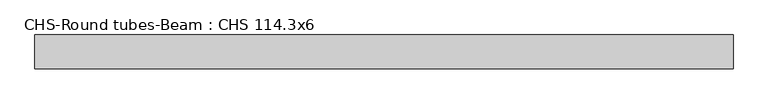
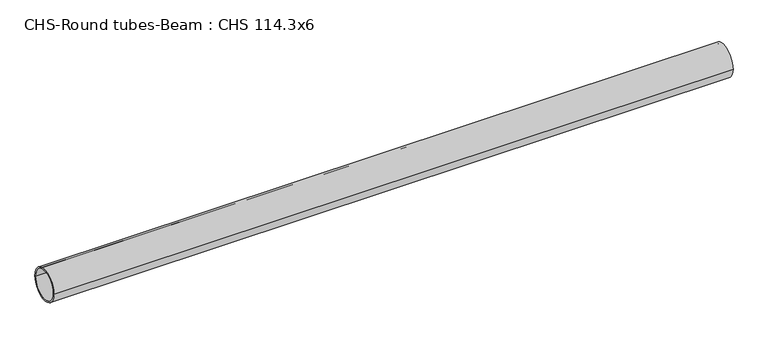
"""IFC4 building model written with IfcOpenShell, lengths in millimetres: beam geometry, CHS-Round tubes-Beam : CHS 114.3x6."""

import ifcopenshell
import ifcopenshell.guid

model = None  # the IFC model being written
_history = None  # IfcOwnerHistory: only IFC2X3 demands one
_inside = {}  # id of a spatial element -> (the spatial element, [elements in it])
_under = {}  # id of a project, library or spatial element -> (it, [spatial elements below it])
_declared = {}  # id of a project -> (the project, [libraries it declares])
_typed = {}  # id of a type object -> (the type object, [elements of that type])
_made_of = {}  # id of a material, layer set ... -> (it, [elements and type objects made of it])


def new_model(schema):
    """Start an empty IFC model of exactly this schema.

    Asked for "IFC4X3", IfcOpenShell would pick the latest addendum, in which some entities
    have other attributes; the version numbers below select the first issue.
    IFC2X3 requires an IfcOwnerHistory on every rooted entity: one is made here for all.
    """
    global model, _history
    if schema == "IFC4X3":
        model = ifcopenshell.file(schema_version=(4, 3, 0, 0))
    else:
        model = ifcopenshell.file(schema=schema)
    _inside.clear()
    _under.clear()
    _declared.clear()
    _typed.clear()
    _made_of.clear()
    _history = None
    if model.schema == "IFC2X3":
        org = make("IfcOrganization", Name="unknown")
        user = make(
            "IfcPersonAndOrganization",
            ThePerson=make("IfcPerson", FamilyName="unknown"),
            TheOrganization=org,
        )
        app = make(
            "IfcApplication",
            ApplicationDeveloper=org,
            Version="unknown",
            ApplicationFullName="unknown",
            ApplicationIdentifier="unknown",
        )
        _history = make(
            "IfcOwnerHistory",
            OwningUser=user,
            OwningApplication=app,
            ChangeAction="ADDED",
            CreationDate=0,
        )
    return model


def make(cls, **values):
    """One entity of the class cls with the attributes given. An attribute that is None is left unset."""
    return model.create_entity(
        cls, **{name: value for name, value in values.items() if value is not None}
    )


def rooted(cls, **values):
    """An entity with a GlobalId (a new one), such as an element, a storey or a relation."""
    return make(cls, GlobalId=ifcopenshell.guid.new(), OwnerHistory=_history, **values)


def si_unit(unit_type, name, prefix=None):
    """IfcSIUnit, for example si_unit("LENGTHUNIT", "METRE", prefix="MILLI")."""
    return make("IfcSIUnit", UnitType=unit_type, Prefix=prefix, Name=name)


def assignment(units):
    """IfcUnitAssignment: the units of a project."""
    return None if units is None else make("IfcUnitAssignment", Units=units)


def point(xyz):
    """IfcCartesianPoint."""
    return None if xyz is None else make("IfcCartesianPoint", Coordinates=xyz)


def direction(xyz):
    """IfcDirection."""
    return None if xyz is None else make("IfcDirection", DirectionRatios=xyz)


def frame(location, z_axis=None, x_axis=None):
    """IfcAxis2Placement3D, a coordinate frame: its origin and axes. An axis left out is left unset."""
    return make(
        "IfcAxis2Placement3D",
        Location=point(location),
        Axis=direction(z_axis),
        RefDirection=direction(x_axis),
    )


def frame_2d(location, x_axis=None):
    """IfcAxis2Placement2D, a coordinate frame in the plane: its origin and x axis."""
    return make(
        "IfcAxis2Placement2D", Location=point(location), RefDirection=direction(x_axis)
    )


def origin():
    """The frame at (0, 0, 0) with its axes left unset."""
    return frame((0.0, 0.0, 0.0))


def origin_2d():
    """The frame at (0, 0) in the plane with its x axis left unset."""
    return frame_2d((0.0, 0.0))


def place(relative_to, where):
    """IfcLocalPlacement: puts the frame where relative to a parent placement (None: the world)."""
    return make(
        "IfcLocalPlacement", PlacementRelTo=relative_to, RelativePlacement=where
    )


def context(
    kind, dimensions, precision=None, world=None, true_north=None, identifier=None
):
    """IfcGeometricRepresentationContext, for example the 3D "Model" context."""
    return make(
        "IfcGeometricRepresentationContext",
        ContextIdentifier=identifier,
        ContextType=kind,
        CoordinateSpaceDimension=dimensions,
        Precision=precision,
        WorldCoordinateSystem=world,
        TrueNorth=true_north,
    )


def project(units=None, contexts=None):
    """IfcProject with its units and contexts."""
    return rooted(
        "IfcProject",
        Name="project",
        RepresentationContexts=contexts,
        UnitsInContext=assignment(units),
    )


def spatial(cls, under=None, at=None, **own):
    """A site, building, storey or space (cls), placed at a placement, below another one or the project."""
    s = rooted(cls, ObjectPlacement=at, **own)
    if under is not None:
        _under.setdefault(under.id(), (under, []))[1].append(s)
    return s


def circle_curve(where, radius):
    """IfcCircle in the frame where."""
    return make("IfcCircle", Position=where, Radius=radius)


def trimmed(basis, trim1, trim2, sense, master):
    """IfcTrimmedCurve: the piece of a basis curve between two trims."""
    return make(
        "IfcTrimmedCurve",
        BasisCurve=basis,
        Trim1=trim1,
        Trim2=trim2,
        SenseAgreement=sense,
        MasterRepresentation=master,
    )


def segment(curve, same_sense, transition):
    """IfcCompositeCurveSegment."""
    return make(
        "IfcCompositeCurveSegment",
        Transition=transition,
        SameSense=same_sense,
        ParentCurve=curve,
    )


def composite_curve(segments, self_intersect=None):
    """IfcCompositeCurve: segments joined end to end."""
    return make("IfcCompositeCurve", Segments=segments, SelfIntersect=self_intersect)


def outline(outer, holes=None, kind="AREA"):
    """IfcArbitraryClosedProfileDef: a profile drawn as a closed curve; with holes, ...WithVoids."""
    if holes is None:
        return make("IfcArbitraryClosedProfileDef", ProfileType=kind, OuterCurve=outer)
    return make(
        "IfcArbitraryProfileDefWithVoids",
        ProfileType=kind,
        OuterCurve=outer,
        InnerCurves=holes,
    )


def extrude(swept, where, along, depth):
    """IfcExtrudedAreaSolid: the profile swept, set in the frame where, extruded along a direction by depth."""
    return make(
        "IfcExtrudedAreaSolid",
        SweptArea=swept,
        Position=where,
        ExtrudedDirection=direction(along),
        Depth=depth,
    )


def shape(context_of_items, identifier, shape_type, items):
    """IfcShapeRepresentation: the items that make up one representation, for example the "Body"."""
    return make(
        "IfcShapeRepresentation",
        ContextOfItems=context_of_items,
        RepresentationIdentifier=identifier,
        RepresentationType=shape_type,
        Items=items,
    )


def source(mapping_origin, context_of_items, identifier, shape_type, items):
    """IfcRepresentationMap: a shape defined once, which mapped items show again and again."""
    return make(
        "IfcRepresentationMap",
        MappingOrigin=mapping_origin,
        MappedRepresentation=shape(context_of_items, identifier, shape_type, items),
    )


def transform(
    local_origin,
    x_axis=None,
    y_axis=None,
    z_axis=None,
    scale=None,
    scale2=None,
    scale3=None,
    uniform=True,
):
    """IfcCartesianTransformationOperator3D, or its non-uniform kind. x_axis, y_axis, z_axis: its Axis1, 2, 3."""
    if uniform:
        return make(
            "IfcCartesianTransformationOperator3D",
            Axis1=direction(x_axis),
            Axis2=direction(y_axis),
            LocalOrigin=point(local_origin),
            Scale=scale,
            Axis3=direction(z_axis),
        )
    return make(
        "IfcCartesianTransformationOperator3DnonUniform",
        Axis1=direction(x_axis),
        Axis2=direction(y_axis),
        LocalOrigin=point(local_origin),
        Scale=scale,
        Axis3=direction(z_axis),
        Scale2=scale2,
        Scale3=scale3,
    )


def mapped(mapping_source, mapping_target):
    """IfcMappedItem: shows the shape of a source again, moved by a transform."""
    return make(
        "IfcMappedItem", MappingSource=mapping_source, MappingTarget=mapping_target
    )


def made_of(thing, what):
    """Note that an element or type object is made of a material, layer set ...; save() writes the relation."""
    if what is not None:
        _made_of.setdefault(what.id(), (what, []))[1].append(thing)
    return thing


def element(
    cls,
    number,
    at=None,
    inside=None,
    cuts=None,
    type_object=None,
    material=None,
    context=None,
    identifier="Body",
    shape_type=None,
    held_by="IfcProductDefinitionShape",
    body=None,
    shapes=None,
    **own,
):
    """One element of the class cls, such as IfcWall. Its Tag is "e" and its number.

    at: its placement. inside: the storey or other place that contains it. cuts: it is an
    opening in that element (IfcRelVoidsElement). A single representation is given by context,
    identifier, shape_type and body (its items); several are given by shapes. held_by: the class
    of the entity that holds the representations. save() writes the other relations.
    """
    e = rooted(cls, Tag="e%d" % number, ObjectPlacement=at, **own)
    if body is not None:
        shapes = [shape(context, identifier, shape_type, body)]
    if shapes is not None:
        e.Representation = make(held_by, Representations=shapes)
    if inside is not None:
        _inside.setdefault(inside.id(), (inside, []))[1].append(e)
    if cuts is not None:
        rooted(
            "IfcRelVoidsElement", RelatingBuildingElement=cuts, RelatedOpeningElement=e
        )
    if type_object is not None:
        _typed.setdefault(type_object.id(), (type_object, []))[1].append(e)
    return made_of(e, material)


def aggregate(whole, parts):
    """IfcRelAggregates: a whole, such as a stair, and the parts it consists of."""
    return rooted("IfcRelAggregates", RelatingObject=whole, RelatedObjects=parts)


def save(model, path):
    """Write the relations noted so far, then the file.

    IfcRelAggregates (storeys below a building ...), IfcRelContainedInSpatialStructure (elements
    in a storey), IfcRelDefinesByType, IfcRelAssociatesMaterial and IfcRelDeclares: one each for
    every whole, place, type object, material and project.
    """
    for whole, parts in _under.values():
        aggregate(whole, parts)
    for where, things in _inside.values():
        rooted(
            "IfcRelContainedInSpatialStructure",
            RelatedElements=things,
            RelatingStructure=where,
        )
    for kind, things in _typed.values():
        rooted("IfcRelDefinesByType", RelatedObjects=things, RelatingType=kind)
    for what, things in _made_of.values():
        rooted("IfcRelAssociatesMaterial", RelatedObjects=things, RelatingMaterial=what)
    for by, libraries in _declared.values():
        rooted("IfcRelDeclares", RelatingContext=by, RelatedDefinitions=libraries)
    model.write(path)


def chs_round_tubes_beam_chs_114_3x6_4ac8868c(model_context):
    return source(origin(), model_context, "Body", "SweptSolid", [
        extrude(outline(composite_curve([segment(trimmed(circle_curve(origin_2d(), 57.15), [point((57.15, 0.0))], [point((-57.15, 0.0))], False, "CARTESIAN"), True, "CONTINUOUS"), segment(trimmed(circle_curve(origin_2d(), 57.15), [point((-57.15, 0.0))], [point((57.15, 0.0))], False, "CARTESIAN"), True, "CONTINUOUS")], self_intersect=False), holes=[composite_curve([segment(trimmed(circle_curve(origin_2d(), 51.15), [point((51.15, 0.0))], [point((-51.15, 0.0))], True, "CARTESIAN"), True, "CONTINUOUS"), segment(trimmed(circle_curve(origin_2d(), 51.15), [point((-51.15, 0.0))], [point((51.15, 0.0))], True, "CARTESIAN"), True, "CONTINUOUS")], self_intersect=False)]), frame((-1146.3521328, 0.0, 0.0), z_axis=(1.0, 0.0, 0.0), x_axis=(0.0, 1.0, 0.0)), (0.0, 0.0, 1.0), 2364.8231123),
    ])


if __name__ == "__main__":
    model = new_model("IFC4")
    model_context = context("Model", 3, world=origin())
    ifc_project = project(units=[si_unit("LENGTHUNIT", "METRE", prefix="MILLI")], contexts=[model_context])
    site = spatial("IfcSite", under=ifc_project)
    building = spatial("IfcBuilding", under=site)
    placement = place(None, origin())
    chs_round_tubes_beam_chs_114_3x6_shape = chs_round_tubes_beam_chs_114_3x6_4ac8868c(model_context)
    element("IfcBeam", 1, ObjectType="CHS-Round tubes-Beam : CHS 114.3x6", at=placement, inside=building, context=model_context, shape_type="MappedRepresentation", body=[
        mapped(chs_round_tubes_beam_chs_114_3x6_shape, transform((0.0, 0.0, 0.0), x_axis=(1.0, 0.0, 0.0), y_axis=(0.0, 1.0, 0.0), z_axis=(0.0, 0.0, 1.0))),
    ])
    save(model, "model.ifc")
